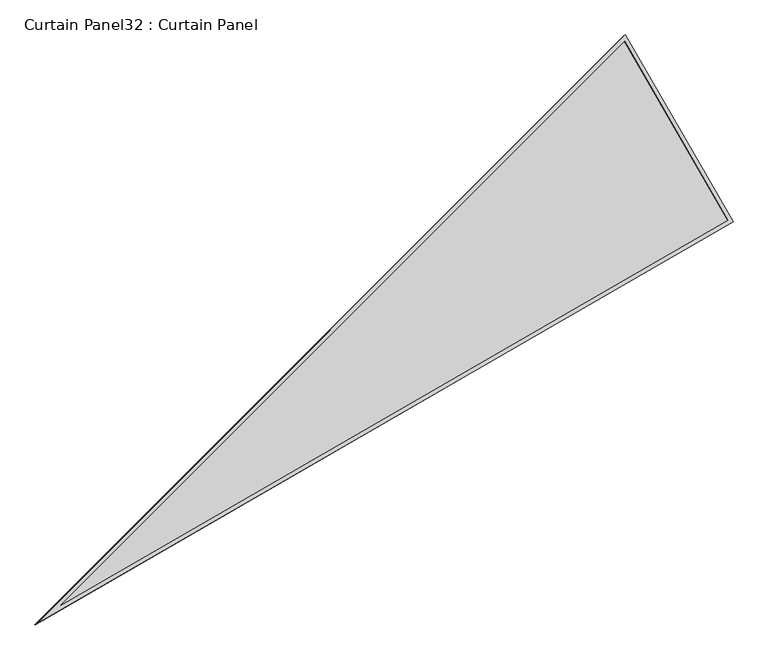
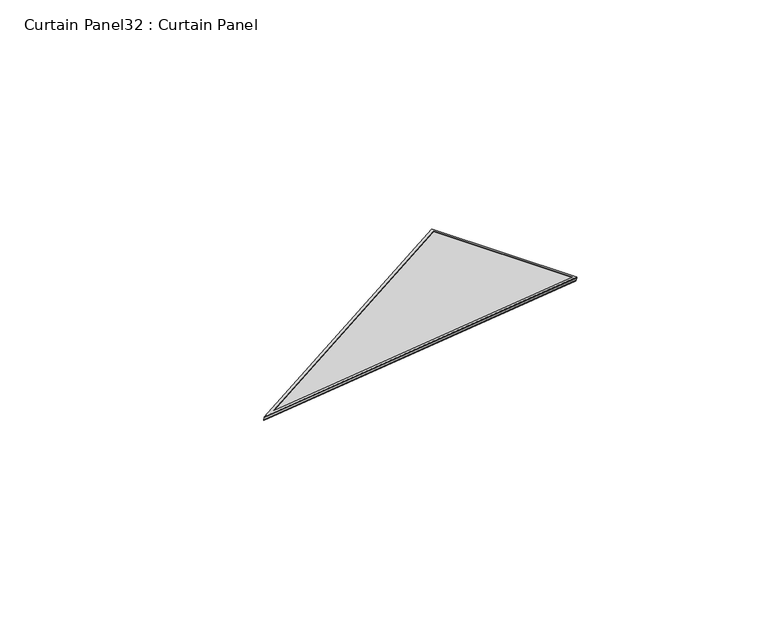
"""IFC4 building model written with IfcOpenShell, lengths in millimetres: plate geometry, Curtain Panel32 : Curtain Panel."""

from ifc_helpers import new_model, si_unit, frame, origin, place, context, project, spatial, polyline, outline, extrude, source, transform, mapped, element, save


def curtain_panel32_curtain_panel_a93950a5(model_context):
    return source(origin(), model_context, "Body", "SweptSolid", [
        extrude(outline(polyline([(895.9717139, 0.0), (895.9717139, -3524.5858216), (0.0, 0.0), (895.9717139, 0.0)]), holes=[polyline([(879.308916, -16.6627979), (21.4285394, -16.6627978), (879.308916, -3391.4043943), (879.308916, -16.6627979)])]), frame((17165.8148715, 6195.8112023, 898.7088954), z_axis=(0.27379031486167954, 0.1580729119869009, 0.9487106081329143), x_axis=(0.49999999999999295, -0.8660254037844428, 0.0)), (0.0, 0.0, 1.0), 4.8427877),
        extrude(outline(polyline([(895.9717138, 0.0), (895.9717138, -3524.5858216), (0.0, 0.0), (895.9717138, 0.0)]), holes=[polyline([(885.6589159, -10.3127979), (13.2623702, -10.3127979), (885.6589159, -3442.1582995), (885.6589159, -10.3127979)])]), frame((17160.9862474, 6193.0233948, 881.9772337), z_axis=(0.27379031486168653, 0.1580729119869044, 0.9487106081329117), x_axis=(0.49999999999999206, -0.8660254037844434, 0.0)), (0.0, 0.0, 1.0), 4.8026954),
        extrude(outline(polyline([(20.1492957, 1e-07), (916.1210096, 0.0), (916.1210095, -3524.5858216), (20.1492957, 1e-07)])), frame((17152.226531, 6211.2323728, 886.5336018), z_axis=(0.2737903148616801, 0.15807291198690002, 0.9487106081329142), x_axis=(0.4999999999999907, -0.866025403784444, 0.0)), (0.0, 0.0, 1.0), 12.8335168),
    ])


if __name__ == "__main__":
    model = new_model("IFC4")
    model_context = context("Model", 3, world=origin())
    ifc_project = project(units=[si_unit("LENGTHUNIT", "METRE", prefix="MILLI")], contexts=[model_context])
    site = spatial("IfcSite", under=ifc_project)
    building = spatial("IfcBuilding", under=site)
    placement = place(None, origin())
    curtain_panel32_curtain_panel_shape = curtain_panel32_curtain_panel_a93950a5(model_context)
    element("IfcPlate", 1, ObjectType="Curtain Panel32 : Curtain Panel", at=placement, inside=building, context=model_context, shape_type="MappedRepresentation", body=[
        mapped(curtain_panel32_curtain_panel_shape, transform((0.0, 0.0, 0.0), x_axis=(1.0, 0.0, 0.0), y_axis=(0.0, 1.0, 0.0), z_axis=(0.0, 0.0, 1.0))),
    ])
    save(model, "model.ifc")
